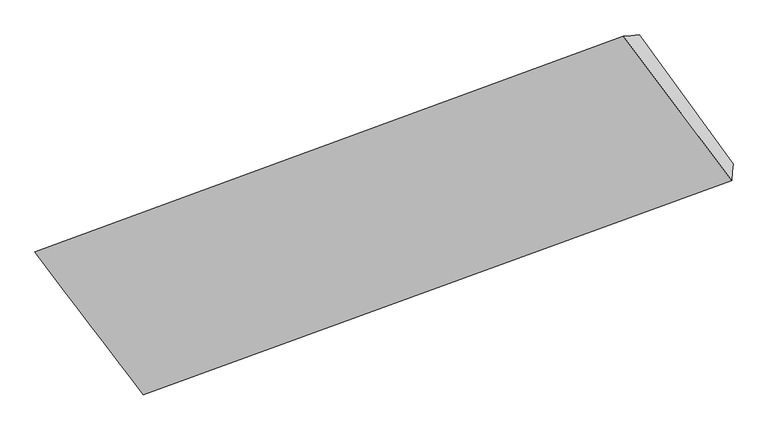
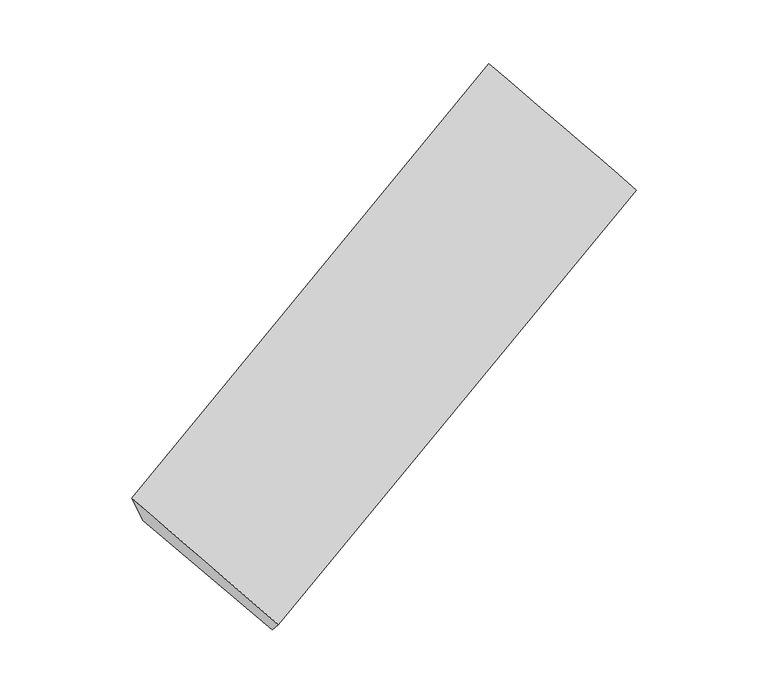
"""IFC4 building model written with IfcOpenShell, lengths in millimetres: proxy geometry."""

from ifc_helpers import new_model, si_unit, frame, origin, place, context, project, spatial, source, transform, mapped, element, save
from ifc_brep_helpers import plane_surface, spline_surface, advanced_brep


def generic_models_395687a4(model_context):
    return source(origin(), model_context, "Body", "AdvancedBrep", [
        advanced_brep(
        [(-4494.2253775, -2774.6600234, 471.3441029), (-5152.4571628, -1873.9231514, 1207.1593365), (-1025.488504, -361.7133217, 3028.7408436), (-366.7054824, -1269.2453885, 2297.4020602), (-5208.0253082, -1880.4732558, 1338.9037679), (-1080.9017125, -366.6234439, 3158.7507772), (-5263.5934536, -1887.0233601, 1470.6481994), (-1136.314921, -371.533566, 3288.7607107), (-4504.9692531, -2888.3822297, 591.6203566), (-377.5114601, -1383.6249348, 2418.3735379), (-4499.5973153, -2831.5211266, 531.4822298), (-372.1084712, -1326.4351616, 2357.8877991)],
        [
            (0, 1),
            (1, 2),
            (2, 3),
            (3, 0),
            (1, 4),
            (4, 5),
            (5, 2),
            (4, 6),
            (6, 7),
            (7, 5),
            (6, 8),
            (8, 9),
            (9, 7),
            (8, 10),
            (10, 11),
            (11, 9),
            (10, 0),
            (3, 11),
        ],
        [
            spline_surface(1, 1, [[(-4494.2253775, -2774.6600234, 471.3441029), (-366.7054824, -1269.2453885, 2297.4020602)], [(-5152.4571628, -1873.9231514, 1207.1593365), (-1025.488504, -361.7133217, 3028.7408436)]], [2, 2], [2, 2], [0.0, 1.0], [0.0, 1.0]),
            spline_surface(1, 1, [[(-5152.4571628, -1873.9231514, 1207.1593365), (-1025.488504, -361.7133217, 3028.7408436)], [(-5208.0253082, -1880.4732558, 1338.9037679), (-1080.9017125, -366.6234439, 3158.7507772)]], [2, 2], [2, 2], [0.0, 1.0], [0.0, 1.0]),
            spline_surface(1, 1, [[(-5208.0253082, -1880.4732558, 1338.9037679), (-1080.9017125, -366.6234439, 3158.7507772)], [(-5263.5934536, -1887.0233601, 1470.6481994), (-1136.314921, -371.533566, 3288.7607107)]], [2, 2], [2, 2], [0.0, 1.0], [0.0, 1.0]),
            spline_surface(1, 1, [[(-5263.5934536, -1887.0233601, 1470.6481994), (-1136.314921, -371.533566, 3288.7607107)], [(-4504.9692531, -2888.3822297, 591.6203566), (-377.5114601, -1383.6249348, 2418.3735379)]], [2, 2], [2, 2], [0.0, 1.0], [0.0, 1.0]),
            plane_surface(frame((-4502.2832842, -2859.9516781, 561.5512932), z_axis=(0.4925613878421339, -0.6539054743667674, -0.5742742461578824), x_axis=(0.06477087737398761, 0.6855893823990888, -0.725101325461373))),
            plane_surface(frame((-4496.9113464, -2803.090575, 501.4131664), z_axis=(0.49256138784213405, -0.653905474366767, -0.5742742461578825), x_axis=(0.06477087737398732, 0.685589382399089, -0.7251013254613728))),
            plane_surface(frame((-726.5050919, -846.5293027, 2758.3192881), z_axis=(0.8666039651087311, 0.321628715480235, 0.3815134821161105), x_axis=(0.06477087737398747, 0.685589382399089, -0.725101325461373))),
            plane_surface(frame((-4853.8113117, -2355.9971912, 935.1929989), z_axis=(-0.8666039651087374, -0.3216287154802253, -0.38151348211610375), x_axis=(-0.06477087737398991, -0.6855893823990876, 0.7251013254613738))),
        ],
        [
            (0, [[1, 2, 3, 4]]),
            (1, [[5, 6, 7, -2]]),
            (2, [[8, 9, 10, -6]]),
            (3, [[11, 12, 13, -9]]),
            (4, [[14, 15, 16, -12]]),
            (5, [[17, -4, 18, -15]]),
            (6, [[-16, -18, -3, -7, -10, -13]]),
            (7, [[-17, -14, -11, -8, -5, -1]]),
        ],
    ),
    ])


if __name__ == "__main__":
    model = new_model("IFC4")
    model_context = context("Model", 3, world=origin())
    ifc_project = project(units=[si_unit("LENGTHUNIT", "METRE", prefix="MILLI")], contexts=[model_context])
    site = spatial("IfcSite", under=ifc_project)
    building = spatial("IfcBuilding", under=site)
    placement = place(None, origin())
    generic_models_shape = generic_models_395687a4(model_context)
    element("IfcBuildingElementProxy", 1, Name="Generic Models", at=placement, inside=building, context=model_context, shape_type="MappedRepresentation", body=[
        mapped(generic_models_shape, transform((0.0, 0.0, 0.0), x_axis=(1.0, 0.0, 0.0), y_axis=(0.0, 1.0, 0.0), z_axis=(0.0, 0.0, 1.0))),
    ])
    save(model, "model.ifc")
